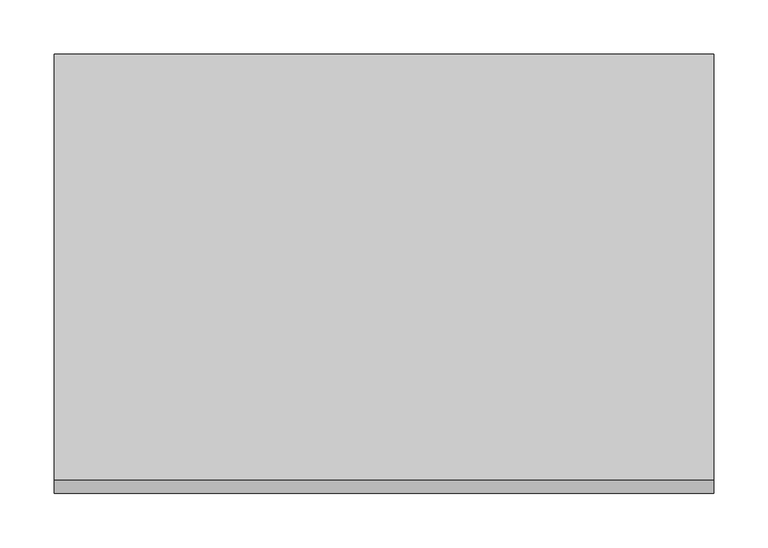
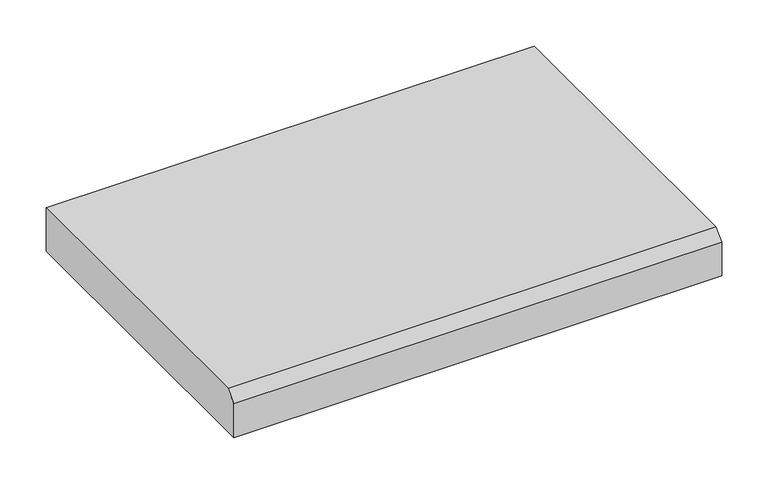
"""IFC4 building model written with IfcOpenShell, lengths in millimetres: proxy geometry."""

import ifcopenshell
import ifcopenshell.guid

model = None  # the IFC model being written
_history = None  # IfcOwnerHistory: only IFC2X3 demands one
_inside = {}  # id of a spatial element -> (the spatial element, [elements in it])
_under = {}  # id of a project, library or spatial element -> (it, [spatial elements below it])
_declared = {}  # id of a project -> (the project, [libraries it declares])
_typed = {}  # id of a type object -> (the type object, [elements of that type])
_made_of = {}  # id of a material, layer set ... -> (it, [elements and type objects made of it])


def new_model(schema):
    """Start an empty IFC model of exactly this schema.

    Asked for "IFC4X3", IfcOpenShell would pick the latest addendum, in which some entities
    have other attributes; the version numbers below select the first issue.
    IFC2X3 requires an IfcOwnerHistory on every rooted entity: one is made here for all.
    """
    global model, _history
    if schema == "IFC4X3":
        model = ifcopenshell.file(schema_version=(4, 3, 0, 0))
    else:
        model = ifcopenshell.file(schema=schema)
    _inside.clear()
    _under.clear()
    _declared.clear()
    _typed.clear()
    _made_of.clear()
    _history = None
    if model.schema == "IFC2X3":
        org = make("IfcOrganization", Name="unknown")
        user = make(
            "IfcPersonAndOrganization",
            ThePerson=make("IfcPerson", FamilyName="unknown"),
            TheOrganization=org,
        )
        app = make(
            "IfcApplication",
            ApplicationDeveloper=org,
            Version="unknown",
            ApplicationFullName="unknown",
            ApplicationIdentifier="unknown",
        )
        _history = make(
            "IfcOwnerHistory",
            OwningUser=user,
            OwningApplication=app,
            ChangeAction="ADDED",
            CreationDate=0,
        )
    return model


def make(cls, **values):
    """One entity of the class cls with the attributes given. An attribute that is None is left unset."""
    return model.create_entity(
        cls, **{name: value for name, value in values.items() if value is not None}
    )


def rooted(cls, **values):
    """An entity with a GlobalId (a new one), such as an element, a storey or a relation."""
    return make(cls, GlobalId=ifcopenshell.guid.new(), OwnerHistory=_history, **values)


def si_unit(unit_type, name, prefix=None):
    """IfcSIUnit, for example si_unit("LENGTHUNIT", "METRE", prefix="MILLI")."""
    return make("IfcSIUnit", UnitType=unit_type, Prefix=prefix, Name=name)


def assignment(units):
    """IfcUnitAssignment: the units of a project."""
    return None if units is None else make("IfcUnitAssignment", Units=units)


def point(xyz):
    """IfcCartesianPoint."""
    return None if xyz is None else make("IfcCartesianPoint", Coordinates=xyz)


def direction(xyz):
    """IfcDirection."""
    return None if xyz is None else make("IfcDirection", DirectionRatios=xyz)


def frame(location, z_axis=None, x_axis=None):
    """IfcAxis2Placement3D, a coordinate frame: its origin and axes. An axis left out is left unset."""
    return make(
        "IfcAxis2Placement3D",
        Location=point(location),
        Axis=direction(z_axis),
        RefDirection=direction(x_axis),
    )


def origin():
    """The frame at (0, 0, 0) with its axes left unset."""
    return frame((0.0, 0.0, 0.0))


def place(relative_to, where):
    """IfcLocalPlacement: puts the frame where relative to a parent placement (None: the world)."""
    return make(
        "IfcLocalPlacement", PlacementRelTo=relative_to, RelativePlacement=where
    )


def context(
    kind, dimensions, precision=None, world=None, true_north=None, identifier=None
):
    """IfcGeometricRepresentationContext, for example the 3D "Model" context."""
    return make(
        "IfcGeometricRepresentationContext",
        ContextIdentifier=identifier,
        ContextType=kind,
        CoordinateSpaceDimension=dimensions,
        Precision=precision,
        WorldCoordinateSystem=world,
        TrueNorth=true_north,
    )


def project(units=None, contexts=None):
    """IfcProject with its units and contexts."""
    return rooted(
        "IfcProject",
        Name="project",
        RepresentationContexts=contexts,
        UnitsInContext=assignment(units),
    )


def spatial(cls, under=None, at=None, **own):
    """A site, building, storey or space (cls), placed at a placement, below another one or the project."""
    s = rooted(cls, ObjectPlacement=at, **own)
    if under is not None:
        _under.setdefault(under.id(), (under, []))[1].append(s)
    return s


def polyline(points):
    """IfcPolyline through the points."""
    return make("IfcPolyline", Points=[point(p) for p in points])


def outline(outer, holes=None, kind="AREA"):
    """IfcArbitraryClosedProfileDef: a profile drawn as a closed curve; with holes, ...WithVoids."""
    if holes is None:
        return make("IfcArbitraryClosedProfileDef", ProfileType=kind, OuterCurve=outer)
    return make(
        "IfcArbitraryProfileDefWithVoids",
        ProfileType=kind,
        OuterCurve=outer,
        InnerCurves=holes,
    )


def extrude(swept, where, along, depth):
    """IfcExtrudedAreaSolid: the profile swept, set in the frame where, extruded along a direction by depth."""
    return make(
        "IfcExtrudedAreaSolid",
        SweptArea=swept,
        Position=where,
        ExtrudedDirection=direction(along),
        Depth=depth,
    )


def shape(context_of_items, identifier, shape_type, items):
    """IfcShapeRepresentation: the items that make up one representation, for example the "Body"."""
    return make(
        "IfcShapeRepresentation",
        ContextOfItems=context_of_items,
        RepresentationIdentifier=identifier,
        RepresentationType=shape_type,
        Items=items,
    )


def source(mapping_origin, context_of_items, identifier, shape_type, items):
    """IfcRepresentationMap: a shape defined once, which mapped items show again and again."""
    return make(
        "IfcRepresentationMap",
        MappingOrigin=mapping_origin,
        MappedRepresentation=shape(context_of_items, identifier, shape_type, items),
    )


def transform(
    local_origin,
    x_axis=None,
    y_axis=None,
    z_axis=None,
    scale=None,
    scale2=None,
    scale3=None,
    uniform=True,
):
    """IfcCartesianTransformationOperator3D, or its non-uniform kind. x_axis, y_axis, z_axis: its Axis1, 2, 3."""
    if uniform:
        return make(
            "IfcCartesianTransformationOperator3D",
            Axis1=direction(x_axis),
            Axis2=direction(y_axis),
            LocalOrigin=point(local_origin),
            Scale=scale,
            Axis3=direction(z_axis),
        )
    return make(
        "IfcCartesianTransformationOperator3DnonUniform",
        Axis1=direction(x_axis),
        Axis2=direction(y_axis),
        LocalOrigin=point(local_origin),
        Scale=scale,
        Axis3=direction(z_axis),
        Scale2=scale2,
        Scale3=scale3,
    )


def mapped(mapping_source, mapping_target):
    """IfcMappedItem: shows the shape of a source again, moved by a transform."""
    return make(
        "IfcMappedItem", MappingSource=mapping_source, MappingTarget=mapping_target
    )


def made_of(thing, what):
    """Note that an element or type object is made of a material, layer set ...; save() writes the relation."""
    if what is not None:
        _made_of.setdefault(what.id(), (what, []))[1].append(thing)
    return thing


def element(
    cls,
    number,
    at=None,
    inside=None,
    cuts=None,
    type_object=None,
    material=None,
    context=None,
    identifier="Body",
    shape_type=None,
    held_by="IfcProductDefinitionShape",
    body=None,
    shapes=None,
    **own,
):
    """One element of the class cls, such as IfcWall. Its Tag is "e" and its number.

    at: its placement. inside: the storey or other place that contains it. cuts: it is an
    opening in that element (IfcRelVoidsElement). A single representation is given by context,
    identifier, shape_type and body (its items); several are given by shapes. held_by: the class
    of the entity that holds the representations. save() writes the other relations.
    """
    e = rooted(cls, Tag="e%d" % number, ObjectPlacement=at, **own)
    if body is not None:
        shapes = [shape(context, identifier, shape_type, body)]
    if shapes is not None:
        e.Representation = make(held_by, Representations=shapes)
    if inside is not None:
        _inside.setdefault(inside.id(), (inside, []))[1].append(e)
    if cuts is not None:
        rooted(
            "IfcRelVoidsElement", RelatingBuildingElement=cuts, RelatedOpeningElement=e
        )
    if type_object is not None:
        _typed.setdefault(type_object.id(), (type_object, []))[1].append(e)
    return made_of(e, material)


def aggregate(whole, parts):
    """IfcRelAggregates: a whole, such as a stair, and the parts it consists of."""
    return rooted("IfcRelAggregates", RelatingObject=whole, RelatedObjects=parts)


def save(model, path):
    """Write the relations noted so far, then the file.

    IfcRelAggregates (storeys below a building ...), IfcRelContainedInSpatialStructure (elements
    in a storey), IfcRelDefinesByType, IfcRelAssociatesMaterial and IfcRelDeclares: one each for
    every whole, place, type object, material and project.
    """
    for whole, parts in _under.values():
        aggregate(whole, parts)
    for where, things in _inside.values():
        rooted(
            "IfcRelContainedInSpatialStructure",
            RelatedElements=things,
            RelatingStructure=where,
        )
    for kind, things in _typed.values():
        rooted("IfcRelDefinesByType", RelatedObjects=things, RelatingType=kind)
    for what, things in _made_of.values():
        rooted("IfcRelAssociatesMaterial", RelatedObjects=things, RelatingMaterial=what)
    for by, libraries in _declared.values():
        rooted("IfcRelDeclares", RelatingContext=by, RelatedDefinitions=libraries)
    model.write(path)


def generic_models_d358044e(model_context):
    return source(origin(), model_context, "Body", "SweptSolid", [
        extrude(outline(polyline([(-406.4, 0.0), (-406.4, 44.45), (-393.7, 57.15), (0.0, 57.15), (0.0, 0.0), (-406.4, 0.0)])), frame((0.0, 0.0, 0.0), z_axis=(1.0, 0.0, 0.0), x_axis=(0.0, 1.0, 0.0)), (0.0, 0.0, 1.0), 609.6),
    ])


if __name__ == "__main__":
    model = new_model("IFC4")
    model_context = context("Model", 3, world=origin())
    ifc_project = project(units=[si_unit("LENGTHUNIT", "METRE", prefix="MILLI")], contexts=[model_context])
    site = spatial("IfcSite", under=ifc_project)
    building = spatial("IfcBuilding", under=site)
    placement = place(None, origin())
    generic_models_shape = generic_models_d358044e(model_context)
    element("IfcBuildingElementProxy", 1, Name="Generic Models", at=placement, inside=building, context=model_context, shape_type="MappedRepresentation", body=[
        mapped(generic_models_shape, transform((0.0, 0.0, 0.0), x_axis=(1.0, 0.0, 0.0), y_axis=(0.0, 1.0, 0.0), z_axis=(0.0, 0.0, 1.0))),
    ])
    save(model, "model.ifc")
